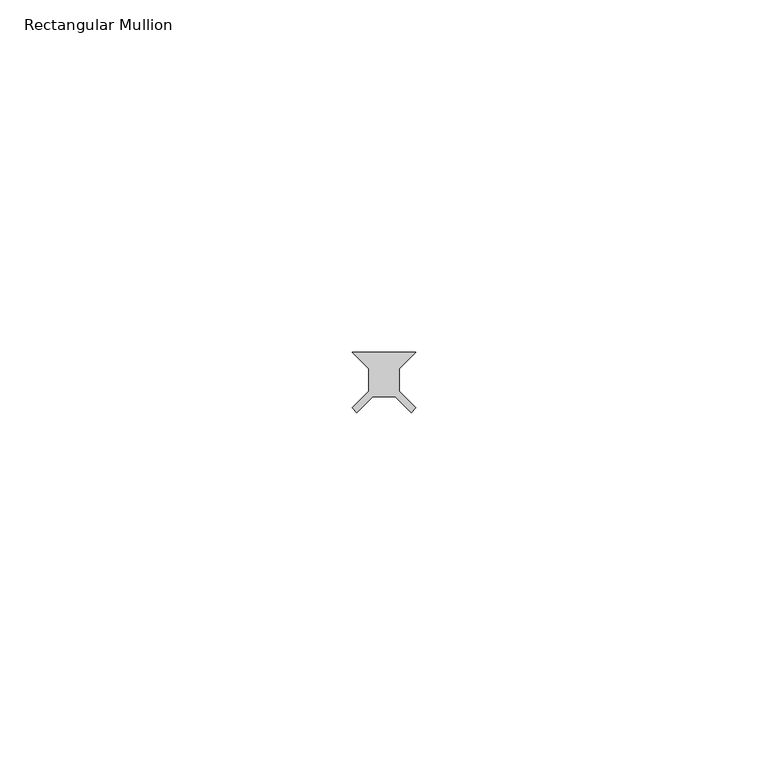
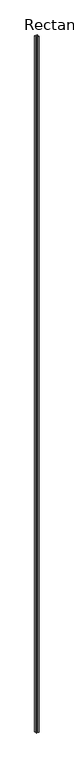
"""IFC4 building model written with IfcOpenShell, lengths in millimetres: member geometry, Rectangular Mullion."""

from ifc_helpers import new_model, si_unit, frame, origin, place, context, project, spatial, polyline, outline, extrude, source, transform, mapped, element, save


def rectangular_mullion_d9dc5a3e(model_context):
    return source(origin(), model_context, "Body", "SweptSolid", [
        extrude(outline(polyline([(-2.148766, 1.5875), (-4.530016, 3.96875), (4.530016, 3.96875), (2.148766, 1.5875), (2.148766, -1.5875), (4.530016, -3.96875), (3.852508, -4.646258), (1.5875, -2.38125), (-1.5875, -2.38125), (-3.852508, -4.646258), (-4.530016, -3.96875), (-2.148766, -1.5875), (-2.148766, 1.5875)])), frame((0.0, 0.0, -2359.025), z_axis=(0.0, 0.0, 1.0), x_axis=(1.0, 0.0, 0.0)), (0.0, 0.0, 1.0), 2359.025),
    ])


if __name__ == "__main__":
    model = new_model("IFC4")
    model_context = context("Model", 3, world=origin())
    ifc_project = project(units=[si_unit("LENGTHUNIT", "METRE", prefix="MILLI")], contexts=[model_context])
    site = spatial("IfcSite", under=ifc_project)
    building = spatial("IfcBuilding", under=site)
    placement = place(None, origin())
    rectangular_mullion_shape = rectangular_mullion_d9dc5a3e(model_context)
    element("IfcMember", 1, ObjectType="Rectangular Mullion", at=placement, inside=building, context=model_context, shape_type="MappedRepresentation", body=[
        mapped(rectangular_mullion_shape, transform((0.0, 0.0, 0.0), x_axis=(1.0, 0.0, 0.0), y_axis=(0.0, 1.0, 0.0), z_axis=(0.0, 0.0, 1.0))),
    ])
    save(model, "model.ifc")
